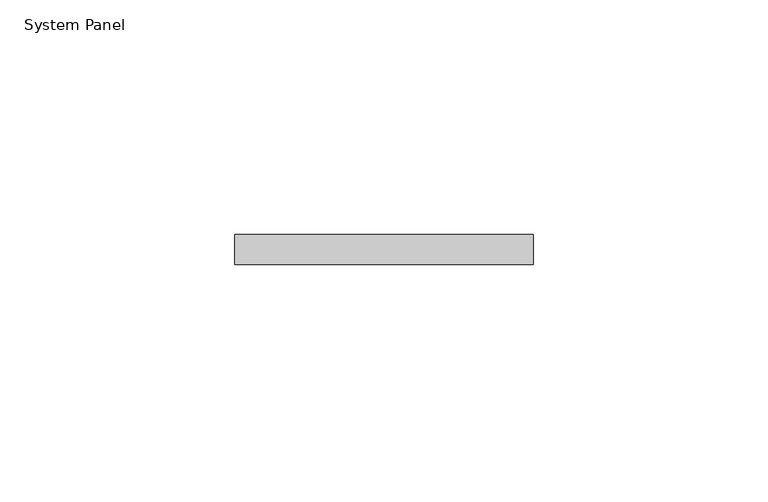
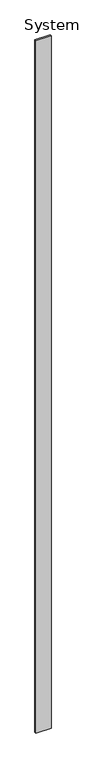
"""IFC4 building model written with IfcOpenShell, lengths in millimetres: plate geometry, System Panel."""

from ifc_helpers import new_model, si_unit, origin, origin_with_axes, place, context, project, spatial, polyline, outline, extrude, source, transform, mapped, element, save


def system_panel_d949d0b4(model_context):
    return source(origin(), model_context, "Body", "SweptSolid", [
        extrude(outline(polyline([(31.75, -6.35), (-31.75, -6.35), (-31.75, 0.0), (31.75, 0.0), (31.75, -6.35)])), origin_with_axes(), (0.0, 0.0, 1.0), 3048.0),
    ])


if __name__ == "__main__":
    model = new_model("IFC4")
    model_context = context("Model", 3, world=origin())
    ifc_project = project(units=[si_unit("LENGTHUNIT", "METRE", prefix="MILLI")], contexts=[model_context])
    site = spatial("IfcSite", under=ifc_project)
    building = spatial("IfcBuilding", under=site)
    placement = place(None, origin())
    system_panel_shape = system_panel_d949d0b4(model_context)
    element("IfcPlate", 1, ObjectType="System Panel", at=placement, inside=building, context=model_context, shape_type="MappedRepresentation", body=[
        mapped(system_panel_shape, transform((0.0, 0.0, 0.0), x_axis=(1.0, 0.0, 0.0), y_axis=(0.0, 1.0, 0.0), z_axis=(0.0, 0.0, 1.0))),
    ])
    save(model, "model.ifc")
